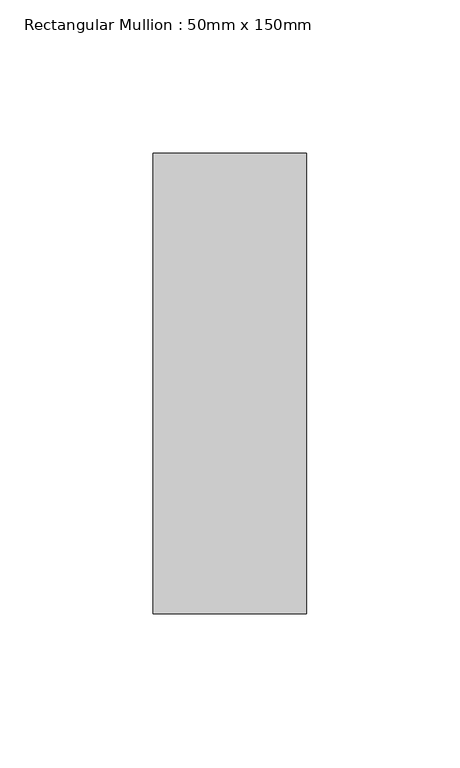
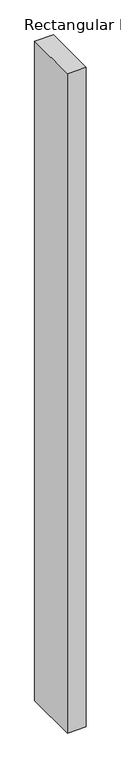
"""IFC4 building model written with IfcOpenShell, lengths in millimetres: member geometry, Rectangular Mullion : 50mm x 150mm."""

from ifc_helpers import new_model, si_unit, frame, origin, place, context, project, spatial, polyline, outline, extrude, source, transform, mapped, element, save


def rectangular_mullion_50mm_x_150mm_28f09506(model_context):
    return source(origin(), model_context, "Body", "SweptSolid", [
        extrude(outline(polyline([(25.0, 75.0), (25.0, -75.0), (-25.0, -75.0), (-25.0, 75.0), (25.0, 75.0)])), frame((0.0, 0.0, -1850.0), z_axis=(0.0, 0.0, 1.0), x_axis=(1.0, 0.0, 0.0)), (0.0, 0.0, 1.0), 1850.0),
    ])


if __name__ == "__main__":
    model = new_model("IFC4")
    model_context = context("Model", 3, world=origin())
    ifc_project = project(units=[si_unit("LENGTHUNIT", "METRE", prefix="MILLI")], contexts=[model_context])
    site = spatial("IfcSite", under=ifc_project)
    building = spatial("IfcBuilding", under=site)
    placement = place(None, origin())
    rectangular_mullion_50mm_x_150mm_shape = rectangular_mullion_50mm_x_150mm_28f09506(model_context)
    element("IfcMember", 1, ObjectType="Rectangular Mullion : 50mm x 150mm", at=placement, inside=building, context=model_context, shape_type="MappedRepresentation", body=[
        mapped(rectangular_mullion_50mm_x_150mm_shape, transform((0.0, 0.0, 0.0), x_axis=(1.0, 0.0, 0.0), y_axis=(0.0, 1.0, 0.0), z_axis=(0.0, 0.0, 1.0))),
    ])
    save(model, "model.ifc")
